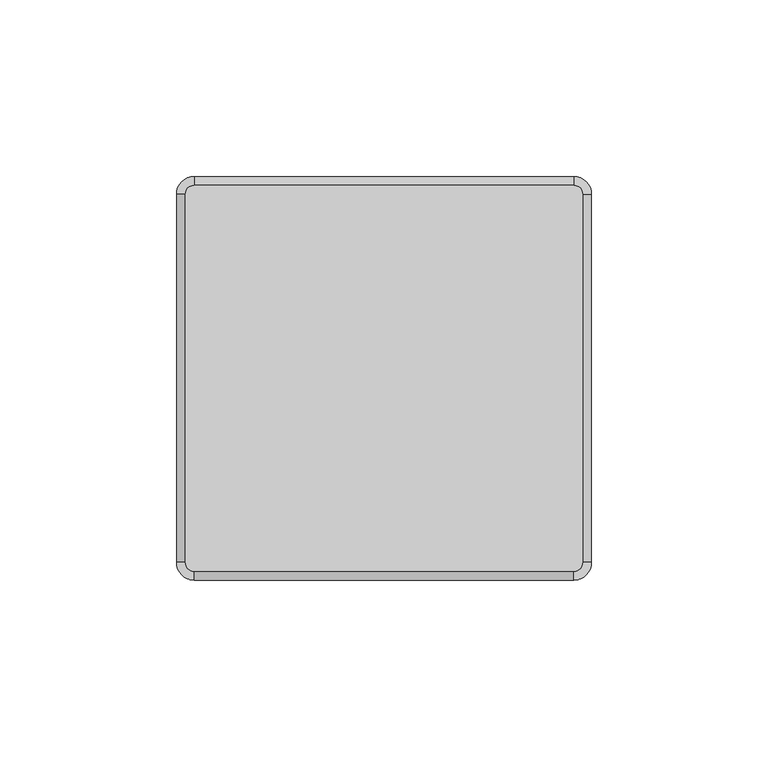
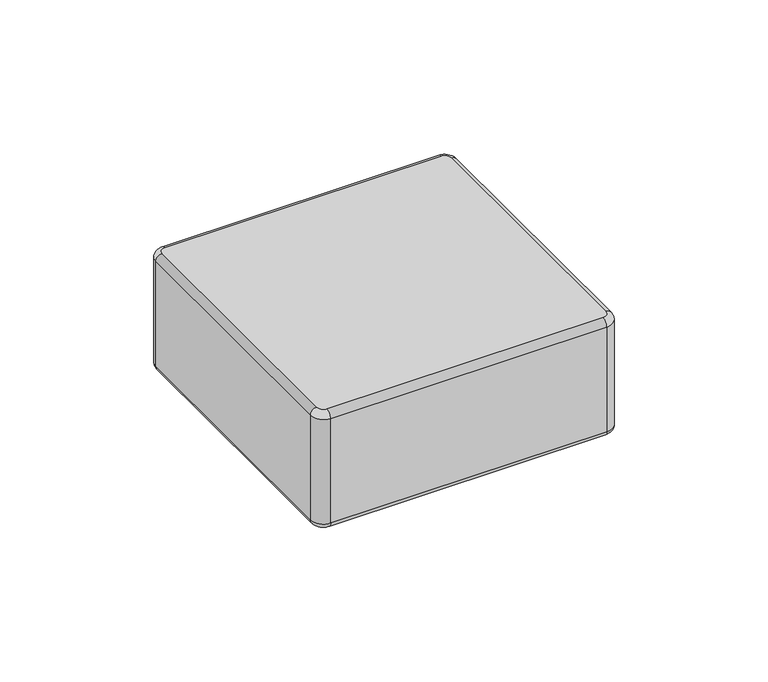
"""IFC4 building model written with IfcOpenShell, lengths in millimetres: plate geometry."""

from ifc_helpers import new_model, si_unit, point, frame, origin, place, context, project, spatial, circle_curve, ellipse_curve, trimmed, source, transform, mapped, element, save
from ifc_brep_helpers import plane_surface, cylinder_surface, revolved_surface, advanced_brep


def plate_e759d243(model_context):
    return source(origin(), model_context, "Body", "AdvancedBrep", [
        advanced_brep(
        [(56.2624998, -52.15, 48.0), (56.2624998, 52.15, 48.0), (53.7624998, 54.65, 48.0), (-53.7375002, 54.65, 48.0), (-56.2375002, 52.15, 48.0), (-56.2375002, -52.15, 48.0), (-53.7375002, -54.65, 48.0), (53.7624998, -54.65, 48.0), (-56.2375002, -52.15, 0.0), (-56.2375002, 52.15, 0.0), (-53.7375002, 54.65, 0.0), (53.7624998, 54.65, 0.0), (56.2624998, 52.15, 0.0), (56.2624998, -52.15, 0.0), (53.7624998, -54.65, 0.0), (-53.7375002, -54.65, 0.0), (-53.7375002, 57.15, 2.5), (-53.7375002, 57.15, 45.5000009), (53.7624998, 57.15, 45.5), (53.7624998, 57.15, 2.4999992), (58.7624998, 52.15, 2.5), (58.7624998, 52.15, 45.5000009), (58.7624998, -52.15, 45.5), (58.7624998, -52.15, 2.4999992), (53.7624998, -57.15, 2.5), (53.7624998, -57.15, 45.5000009), (-53.7375002, -57.15, 45.5), (-53.7375002, -57.15, 2.4999992), (-58.7375002, -52.15, 2.4999981), (-58.7375002, -52.15, 45.5000009), (-58.7375002, 52.15, 45.5), (-58.7375002, 52.15, 2.4999992)],
        [
            (0, 1),
            (1, 2, circle_curve(frame((53.7624998, 52.15, 48.0), z_axis=(0.0, 0.0, 1.0), x_axis=(0.0, 1.0, 0.0)), 2.5)),
            (2, 3),
            (3, 4, circle_curve(frame((-53.7375002, 52.15, 48.0), z_axis=(0.0, 0.0, 1.0), x_axis=(-1.0, 0.0, 0.0)), 2.5)),
            (4, 5),
            (5, 6, circle_curve(frame((-53.7375002, -52.15, 48.0), z_axis=(0.0, 0.0, 1.0), x_axis=(0.0, -1.0, 0.0)), 2.5)),
            (6, 7),
            (7, 0, circle_curve(frame((53.7624998, -52.15, 48.0), z_axis=(0.0, 0.0, 1.0), x_axis=(1.0, 0.0, 0.0)), 2.5)),
            (8, 9),
            (9, 10, circle_curve(frame((-53.7375002, 52.15, 0.0), z_axis=(0.0, 0.0, -1.0), x_axis=(0.0, 1.0, 0.0)), 2.5)),
            (10, 11),
            (11, 12, circle_curve(frame((53.7624998, 52.15, 0.0), z_axis=(0.0, 0.0, -1.0), x_axis=(1.0, 0.0, 0.0)), 2.5)),
            (12, 13),
            (13, 14, circle_curve(frame((53.7624998, -52.15, 0.0), z_axis=(0.0, 0.0, -1.0), x_axis=(0.0, -1.0, 0.0)), 2.5)),
            (14, 15),
            (15, 8, circle_curve(frame((-53.7375002, -52.15, 0.0), z_axis=(0.0, 0.0, -1.0), x_axis=(-1.0, 0.0, 0.0)), 2.5)),
            (16, 17),
            (17, 18),
            (18, 19),
            (19, 16),
            (20, 21),
            (21, 22),
            (22, 23),
            (23, 20),
            (24, 25),
            (25, 26),
            (26, 27),
            (27, 24),
            (28, 29),
            (29, 30),
            (30, 31),
            (31, 28),
            (30, 17, circle_curve(frame((-53.7375002, 52.15, 45.5), z_axis=(0.0, 0.0, -1.0), x_axis=(1.0, 0.0, 0.0)), 5.0)),
            (16, 31, circle_curve(frame((-53.7375002, 52.15, 2.5), z_axis=(0.0, 0.0, 1.0), x_axis=(1.0, 0.0, 0.0)), 5.0)),
            (18, 21, circle_curve(frame((53.7624998, 52.15, 45.5), z_axis=(0.0, 0.0, -1.0), x_axis=(1.0, 0.0, 0.0)), 5.0)),
            (20, 19, circle_curve(frame((53.7624998, 52.15, 2.5), z_axis=(0.0, 0.0, 1.0), x_axis=(1.0, 0.0, 0.0)), 5.0)),
            (22, 25, circle_curve(frame((53.7624998, -52.15, 45.5), z_axis=(0.0, 0.0, -1.0), x_axis=(1.0, 0.0, 0.0)), 5.0)),
            (24, 23, circle_curve(frame((53.7624998, -52.15, 2.5), z_axis=(0.0, 0.0, 1.0), x_axis=(1.0, 0.0, 0.0)), 5.0)),
            (26, 29, circle_curve(frame((-53.7375002, -52.15, 45.5), z_axis=(0.0, 0.0, -1.0), x_axis=(1.0, 0.0, 0.0)), 5.0)),
            (28, 27, circle_curve(frame((-53.7375002, -52.15, 2.5), z_axis=(0.0, 0.0, 1.0), x_axis=(1.0, 0.0, 0.0)), 5.0)),
            (28, 8, circle_curve(frame((-56.2375002, -52.15, 2.5), z_axis=(0.0, -1.0, 0.0), x_axis=(1.0, 0.0, 0.0)), 2.5)),
            (15, 27, circle_curve(frame((-53.7375002, -54.65, 2.5), z_axis=(-1.0, 0.0, 0.0), x_axis=(0.0, 1.0, 0.0)), 2.5)),
            (14, 24, circle_curve(frame((53.7624998, -54.65, 2.5), z_axis=(-1.0, 0.0, 0.0), x_axis=(0.0, 1.0, 0.0)), 2.5)),
            (13, 23, circle_curve(frame((56.2624998, -52.15, 2.5), z_axis=(0.0, -1.0, 0.0), x_axis=(-1.0, 0.0, 0.0)), 2.5)),
            (12, 20, circle_curve(frame((56.2624998, 52.15, 2.5), z_axis=(0.0, -1.0, 0.0), x_axis=(-1.0, 0.0, 0.0)), 2.5)),
            (11, 19, circle_curve(frame((53.7624998, 54.65, 2.5), z_axis=(1.0, 0.0, 0.0), x_axis=(0.0, -1.0, 0.0)), 2.5)),
            (10, 16, circle_curve(frame((-53.7375002, 54.65, 2.5), z_axis=(1.0, 0.0, 0.0), x_axis=(0.0, -1.0, 0.0)), 2.5)),
            (9, 31, circle_curve(frame((-56.2375002, 52.15, 2.5), z_axis=(0.0, 1.0, 0.0), x_axis=(1.0, 0.0, 0.0)), 2.5)),
            (22, 0, circle_curve(frame((56.2624998, -52.15, 45.5), z_axis=(0.0, -1.0, 0.0), x_axis=(-1.0, 0.0, 0.0)), 2.5)),
            (7, 25, circle_curve(frame((53.7624998, -54.65, 45.5), z_axis=(1.0, 0.0, 0.0), x_axis=(0.0, 1.0, 0.0)), 2.5)),
            (6, 26, circle_curve(frame((-53.7375002, -54.65, 45.5), z_axis=(1.0, 0.0, 0.0), x_axis=(0.0, 1.0, 0.0)), 2.5)),
            (5, 29, circle_curve(frame((-56.2375002, -52.15, 45.5), z_axis=(0.0, -1.0, 0.0), x_axis=(1.0, 0.0, 0.0)), 2.5)),
            (4, 30, circle_curve(frame((-56.2375002, 52.15, 45.5), z_axis=(0.0, -1.0, 0.0), x_axis=(1.0, 0.0, 0.0)), 2.5)),
            (3, 17, circle_curve(frame((-53.7375002, 54.65, 45.5), z_axis=(-1.0, 0.0, 0.0), x_axis=(0.0, -1.0, 0.0)), 2.5)),
            (2, 18, circle_curve(frame((53.7624998, 54.65, 45.5), z_axis=(-1.0, 0.0, 0.0), x_axis=(0.0, -1.0, 0.0)), 2.5)),
            (1, 21, circle_curve(frame((56.2624998, 52.15, 45.5), z_axis=(0.0, 1.0, 0.0), x_axis=(-1.0, 0.0, 0.0)), 2.5)),
        ],
        [
            plane_surface(frame((-48.7375002, 52.15, 48.0), z_axis=(0.0, 0.0, 1.0), x_axis=(0.0, -1.0, 0.0))),
            plane_surface(frame((-48.7375002, 52.15, 0.0), z_axis=(0.0, 0.0, -1.0), x_axis=(0.0, 1.0, 0.0))),
            plane_surface(frame((-53.7375002, 57.15, 48.0), z_axis=(0.0, 1.0, 0.0), x_axis=(0.0, 0.0, -1.0))),
            plane_surface(frame((58.7624998, 52.15, 48.0), z_axis=(1.0, 0.0, 0.0), x_axis=(0.0, 0.0, -1.0))),
            plane_surface(frame((53.7624998, -57.15, 48.0), z_axis=(0.0, -1.0, 0.0), x_axis=(0.0, 0.0, -1.0))),
            plane_surface(frame((-58.7375002, -52.15, 48.0), z_axis=(-1.0, 0.0, 0.0), x_axis=(0.0, 0.0, -1.0))),
            cylinder_surface(frame((-53.7375002, 52.15, 0.0), z_axis=(0.0, 0.0, 1.0), x_axis=(1.0, 0.0, 0.0)), 5.0),
            cylinder_surface(frame((53.7624998, 52.15, 0.0), z_axis=(0.0, 0.0, 1.0), x_axis=(1.0, 0.0, 0.0)), 5.0),
            cylinder_surface(frame((53.7624998, -52.15, 0.0), z_axis=(0.0, 0.0, 1.0), x_axis=(1.0, 0.0, 0.0)), 5.0),
            cylinder_surface(frame((-53.7375002, -52.15, 0.0), z_axis=(0.0, 0.0, 1.0), x_axis=(1.0, 0.0, 0.0)), 5.0),
            revolved_surface(trimmed(ellipse_curve(frame((-56.2375002, -52.15, 2.5), z_axis=(0.0, -1.0, 0.0), x_axis=(1.0, 0.0, 0.0)), 2.5, 2.5), [point((-58.7375002, -52.15, 2.5))], [point((-56.2375002, -52.15, 0.0))], True, "CARTESIAN"), (-53.7375002, -52.15, 0.0), (0.0, 0.0, -1.0)),
            cylinder_surface(frame((-53.7375002, -54.65, 2.5), z_axis=(1.0, 0.0, 0.0), x_axis=(0.0, 1.0, 0.0)), 2.5),
            revolved_surface(trimmed(ellipse_curve(frame((53.7624998, -54.65, 2.5), z_axis=(1.0, 0.0, 0.0), x_axis=(0.0, 1.0, 0.0)), 2.5, 2.5), [point((53.7624998, -57.15, 2.5))], [point((53.7624998, -54.65, 0.0))], True, "CARTESIAN"), (53.7624998, -52.15, 0.0), (0.0, 0.0, -1.0)),
            cylinder_surface(frame((56.2624998, -52.15, 2.5), z_axis=(0.0, 1.0, 0.0), x_axis=(-1.0, 0.0, 0.0)), 2.5),
            revolved_surface(trimmed(ellipse_curve(frame((56.2624998, 52.15, 2.5), z_axis=(0.0, 1.0, 0.0), x_axis=(-1.0, 0.0, 0.0)), 2.5, 2.5), [point((58.7624998, 52.15, 2.5))], [point((56.2624998, 52.15, 0.0))], True, "CARTESIAN"), (53.7624998, 52.15, 0.0), (0.0, 0.0, -1.0)),
            cylinder_surface(frame((53.7624998, 54.65, 2.5), z_axis=(-1.0, 0.0, 0.0), x_axis=(0.0, -1.0, 0.0)), 2.5),
            revolved_surface(trimmed(ellipse_curve(frame((-53.7375002, 54.65, 2.5), z_axis=(-1.0, 0.0, 0.0), x_axis=(0.0, -1.0, 0.0)), 2.5, 2.5), [point((-53.7375002, 57.15, 2.5))], [point((-53.7375002, 54.65, 0.0))], True, "CARTESIAN"), (-53.7375002, 52.15, 0.0), (0.0, 0.0, -1.0)),
            cylinder_surface(frame((-56.2375002, 52.15, 2.5), z_axis=(0.0, -1.0, 0.0), x_axis=(1.0, 0.0, 0.0)), 2.5),
            revolved_surface(trimmed(ellipse_curve(frame((56.2624998, -52.15, 45.5), z_axis=(0.0, -1.0, 0.0), x_axis=(-1.0, 0.0, 0.0)), 2.5, 2.5), [point((58.7624998, -52.15, 45.5))], [point((56.2624998, -52.15, 48.0))], True, "CARTESIAN"), (53.7624998, -52.15, 48.0), (0.0, 0.0, 1.0)),
            cylinder_surface(frame((53.7624998, -54.65, 45.5), z_axis=(-1.0, 0.0, 0.0), x_axis=(0.0, 1.0, 0.0)), 2.5),
            revolved_surface(trimmed(ellipse_curve(frame((-53.7375002, -54.65, 45.5), z_axis=(-1.0, 0.0, 0.0), x_axis=(0.0, 1.0, 0.0)), 2.5, 2.5), [point((-53.7375002, -57.15, 45.5))], [point((-53.7375002, -54.65, 48.0))], True, "CARTESIAN"), (-53.7375002, -52.15, 48.0), (0.0, 0.0, 1.0)),
            cylinder_surface(frame((-56.2375002, -52.15, 45.5), z_axis=(0.0, 1.0, 0.0), x_axis=(1.0, 0.0, 0.0)), 2.5),
            revolved_surface(trimmed(ellipse_curve(frame((-56.2375002, 52.15, 45.5), z_axis=(0.0, 1.0, 0.0), x_axis=(1.0, 0.0, 0.0)), 2.5, 2.5), [point((-58.7375002, 52.15, 45.5))], [point((-56.2375002, 52.15, 48.0))], True, "CARTESIAN"), (-53.7375002, 52.15, 48.0), (0.0, 0.0, 1.0)),
            cylinder_surface(frame((-53.7375002, 54.65, 45.5), z_axis=(1.0, 0.0, 0.0), x_axis=(0.0, -1.0, 0.0)), 2.5),
            revolved_surface(trimmed(ellipse_curve(frame((53.7624998, 54.65, 45.5), z_axis=(1.0, 0.0, 0.0), x_axis=(0.0, -1.0, 0.0)), 2.5, 2.5), [point((53.7624998, 57.15, 45.5))], [point((53.7624998, 54.65, 48.0))], True, "CARTESIAN"), (53.7624998, 52.15, 48.0), (0.0, 0.0, 1.0)),
            cylinder_surface(frame((56.2624998, 52.15, 45.5), z_axis=(0.0, -1.0, 0.0), x_axis=(-1.0, 0.0, 0.0)), 2.5),
        ],
        [
            (0, [[1, 2, 3, 4, 5, 6, 7, 8]]),
            (1, [[9, 10, 11, 12, 13, 14, 15, 16]]),
            (2, [[17, 18, 19, 20]]),
            (3, [[21, 22, 23, 24]]),
            (4, [[25, 26, 27, 28]]),
            (5, [[29, 30, 31, 32]]),
            (6, [[-31, 33, -17, 34]]),
            (7, [[-19, 35, -21, 36]]),
            (8, [[-23, 37, -25, 38]]),
            (9, [[-27, 39, -29, 40]]),
            (10, [[-40, 41, -16, 42]]),
            (11, [[-15, 43, -28, -42]]),
            (12, [[-14, 44, -38, -43]]),
            (13, [[-13, 45, -24, -44]]),
            (14, [[-12, 46, -36, -45]]),
            (15, [[-11, 47, -20, -46]]),
            (16, [[-10, 48, -34, -47]]),
            (17, [[-32, -48, -9, -41]]),
            (18, [[-37, 49, -8, 50]]),
            (19, [[-7, 51, -26, -50]]),
            (20, [[-6, 52, -39, -51]]),
            (21, [[-5, 53, -30, -52]]),
            (22, [[-4, 54, -33, -53]]),
            (23, [[-3, 55, -18, -54]]),
            (24, [[-2, 56, -35, -55]]),
            (25, [[-22, -56, -1, -49]]),
        ],
    ),
    ])


if __name__ == "__main__":
    model = new_model("IFC4")
    model_context = context("Model", 3, world=origin())
    ifc_project = project(units=[si_unit("LENGTHUNIT", "METRE", prefix="MILLI")], contexts=[model_context])
    site = spatial("IfcSite", under=ifc_project)
    building = spatial("IfcBuilding", under=site)
    placement = place(None, origin())
    plate_shape = plate_e759d243(model_context)
    element("IfcPlate", 1, at=placement, inside=building, context=model_context, shape_type="MappedRepresentation", body=[
        mapped(plate_shape, transform((0.0, 0.0, 0.0), x_axis=(1.0, 0.0, 0.0), y_axis=(0.0, 1.0, 0.0), z_axis=(0.0, 0.0, 1.0))),
    ])
    save(model, "model.ifc")
